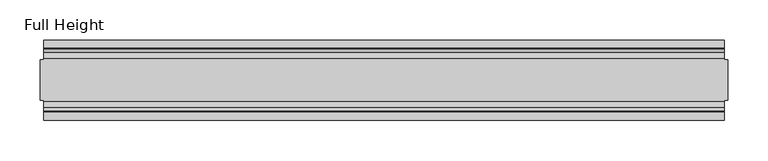
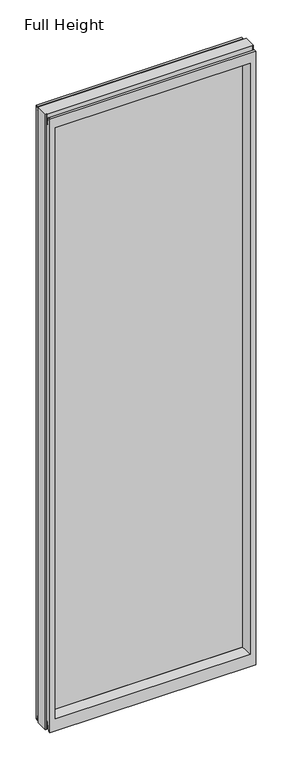
"""IFC4 building model written with IfcOpenShell, lengths in millimetres: plate geometry, Full Height."""

from ifc_helpers import new_model, si_unit, frame, origin, place, context, project, spatial, polyline, circle_curve, outline, extrude, source, transform, mapped, element, save
from ifc_brep_helpers import plane_surface, cylinder_surface, revolved_surface, advanced_brep


def full_height_f7715e2a(model_context):
    return source(origin(), model_context, "Body", "SolidModel", [
        advanced_brep(
        [(429.5521, 25.146, 2688.336), (429.5521, -25.146, 2688.336), (429.5521, -25.146, 0.0), (429.5521, 25.146, 0.0), (-429.5521, -25.146, 2688.336), (-429.5521, 25.146, 2688.336), (-429.5521, 25.146, 0.0), (-429.5521, -25.146, 0.0), (424.9801, 25.146, 2688.336), (424.9801, 26.67, 2688.336), (-424.9801, 26.67, 2688.336), (-424.9801, 25.146, 2688.336), (-424.9801, -25.146, 2688.336), (-424.9801, -26.67, 2688.336), (424.9801, -26.67, 2688.336), (424.9801, -25.146, 2688.336), (424.9801, -25.146, 0.0), (424.9801, -26.67, 0.0), (-424.9801, -26.67, 0.0), (-424.9801, -25.146, 0.0), (-424.9801, 25.146, 0.0), (-424.9801, 26.67, 0.0), (424.9801, 26.67, 0.0), (424.9801, 25.146, 0.0), (-424.9801, 40.7946686, 0.0), (-424.9801, 50.0, 0.0), (424.9801, 50.0, 0.0), (424.9801, 40.7946686, 0.0), (-424.9801, 26.67, 36.4542208), (424.9801, 26.67, 36.4542208), (-424.9801, 39.5246686, 1.27), (-424.9801, 39.5246686, 7.9074686), (-424.9801, 39.043018, 8.6755976), (-424.9801, 36.9464913, 11.6561909), (-424.9801, 34.2686707, 36.8568054), (-424.9801, 26.67, 2651.125), (-424.9801, 34.2321175, 2650.4634004), (-424.9801, 39.1867152, 2678.5623199), (-424.9801, 39.9371387, 2679.192), (-424.9801, 50.0, 2679.192), (-424.9801, -26.67, 36.4542208), (-424.9801, -34.2686707, 36.8568054), (-424.9801, -36.9464913, 11.6561909), (-424.9801, -39.043018, 8.6755976), (-424.9801, -39.5246686, 7.9074686), (-424.9801, -39.5246686, 1.27), (-424.9801, -40.7946686, 0.0), (-424.9801, -50.0, 0.0), (-424.9801, -50.0, 2679.192), (-424.9801, -39.9371387, 2679.192), (-424.9801, -39.1867152, 2678.5623199), (-424.9801, -34.2321175, 2650.4634004), (-424.9801, -26.67, 2651.125), (424.9801, -50.0, 0.0), (424.9801, -50.0, 2679.192), (-402.8821, -50.0, 2634.615), (402.8821, -50.0, 2634.615), (402.8821, -50.0, 52.8372208), (-402.8821, -50.0, 52.8372208), (424.9801, 50.0, 2679.192), (-402.8821, 50.0, 52.8372208), (402.8821, 50.0, 52.8372208), (402.8821, 50.0, 2634.615), (-402.8821, 50.0, 2634.615), (-396.9131, -6.1006519, 58.8062208), (-396.9131, -6.1006519, 2628.646), (-396.9131, 6.1006519, 2628.646), (-396.9131, 6.1006519, 58.8062208), (396.9131, 6.1006519, 58.8062208), (396.9131, 6.1006519, 2628.646), (396.9131, -6.1006519, 2628.646), (396.9131, -6.1006519, 58.8062208), (424.9801, -40.7946686, 0.0), (424.9801, -39.5246686, 1.27), (424.9801, -39.5246686, 7.9074686), (424.9801, -39.043018, 8.6755976), (424.9801, -36.9464913, 11.6561909), (424.9801, -34.2686707, 36.8568054), (424.9801, -26.67, 36.4542208), (424.9801, -26.67, 2651.125), (424.9801, -34.2321175, 2650.4634004), (424.9801, -39.1867152, 2678.5623199), (424.9801, -39.9371387, 2679.192), (424.9801, 39.9371387, 2679.192), (424.9801, 39.1867152, 2678.5623199), (424.9801, 34.2321175, 2650.4634004), (424.9801, 26.67, 2651.125), (424.9801, 34.2686707, 36.8568054), (424.9801, 36.9464913, 11.6561909), (424.9801, 39.043018, 8.6755976), (424.9801, 39.5246686, 7.9074686), (424.9801, 39.5246686, 1.27)],
        [
            (0, 1),
            (1, 2),
            (2, 3),
            (3, 0),
            (4, 5),
            (5, 6),
            (6, 7),
            (7, 4),
            (0, 8),
            (8, 9),
            (9, 10),
            (10, 11),
            (11, 5),
            (4, 12),
            (12, 13),
            (13, 14),
            (14, 15),
            (15, 1),
            (2, 16),
            (16, 17),
            (17, 18),
            (18, 19),
            (19, 7),
            (6, 20),
            (20, 21),
            (21, 22),
            (22, 23),
            (23, 3),
            (23, 8),
            (15, 16),
            (19, 12),
            (11, 20),
            (24, 25),
            (25, 26),
            (26, 27),
            (27, 24),
            (21, 28),
            (28, 29),
            (29, 22),
            (24, 30, circle_curve(frame((-424.9801, 40.7946686, 1.27), z_axis=(-1.0, 0.0, 0.0), x_axis=(0.0, -1.0, 0.0)), 1.27)),
            (30, 31),
            (31, 32, circle_curve(frame((-424.9801, 38.671343, 7.9074686), z_axis=(1.0, 0.0, 0.0), x_axis=(0.0, -1.0, 0.0)), 0.8533256)),
            (32, 33, circle_curve(frame((-424.9801, 40.6770502, 12.0526006), z_axis=(-1.0, 0.0, 0.0), x_axis=(0.0, -1.0, 0.0)), 3.751561)),
            (33, 34),
            (34, 28, circle_curve(frame((-424.9801, 30.48, 36.4542208), z_axis=(1.0, 0.0, 0.0), x_axis=(0.0, -1.0, 0.0)), 3.81)),
            (10, 35),
            (35, 36, circle_curve(frame((-424.9801, 30.48, 2651.125), z_axis=(1.0, 0.0, 0.0), x_axis=(0.0, -1.0, 0.0)), 3.81)),
            (36, 37),
            (37, 38, circle_curve(frame((-424.9801, 39.9371387, 2678.43), z_axis=(-1.0, 0.0, 0.0), x_axis=(0.0, -1.0, 0.0)), 0.762)),
            (38, 39),
            (39, 25),
            (18, 40),
            (40, 41, circle_curve(frame((-424.9801, -30.48, 36.4542208), z_axis=(1.0, 0.0, 0.0), x_axis=(0.0, -1.0, 0.0)), 3.81)),
            (41, 42),
            (42, 43, circle_curve(frame((-424.9801, -40.6770502, 12.0526006), z_axis=(-1.0, 0.0, 0.0), x_axis=(0.0, -1.0, 0.0)), 3.751561)),
            (43, 44, circle_curve(frame((-424.9801, -38.671343, 7.9074686), z_axis=(1.0, 0.0, 0.0), x_axis=(0.0, -1.0, 0.0)), 0.8533256)),
            (44, 45),
            (45, 46, circle_curve(frame((-424.9801, -40.7946686, 1.27), z_axis=(-1.0, 0.0, 0.0), x_axis=(0.0, -1.0, 0.0)), 1.27)),
            (46, 47),
            (47, 48),
            (48, 49),
            (49, 50, circle_curve(frame((-424.9801, -39.9371387, 2678.43), z_axis=(-1.0, 0.0, 0.0), x_axis=(0.0, -1.0, 0.0)), 0.762)),
            (50, 51),
            (51, 52, circle_curve(frame((-424.9801, -30.48, 2651.125), z_axis=(1.0, 0.0, 0.0), x_axis=(0.0, -1.0, 0.0)), 3.81)),
            (52, 13),
            (47, 53),
            (53, 54),
            (54, 48),
            (55, 56),
            (56, 57),
            (57, 58),
            (58, 55),
            (39, 59),
            (59, 26),
            (60, 61),
            (61, 62),
            (62, 63),
            (63, 60),
            (58, 64),
            (64, 65),
            (65, 55),
            (63, 66),
            (66, 67),
            (67, 60),
            (61, 68),
            (68, 69),
            (69, 62),
            (70, 71),
            (71, 57),
            (56, 70),
            (53, 72),
            (72, 73, circle_curve(frame((424.9801, -40.7946686, 1.27), z_axis=(1.0, 0.0, 0.0), x_axis=(0.0, -1.0, 0.0)), 1.27)),
            (73, 74),
            (74, 75, circle_curve(frame((424.9801, -38.671343, 7.9074686), z_axis=(-1.0, 0.0, 0.0), x_axis=(0.0, -1.0, 0.0)), 0.8533256)),
            (75, 76, circle_curve(frame((424.9801, -40.6770502, 12.0526006), z_axis=(1.0, 0.0, 0.0), x_axis=(0.0, -1.0, 0.0)), 3.751561)),
            (76, 77),
            (77, 78, circle_curve(frame((424.9801, -30.48, 36.4542208), z_axis=(-1.0, 0.0, 0.0), x_axis=(0.0, -1.0, 0.0)), 3.81)),
            (78, 17),
            (14, 79),
            (79, 80, circle_curve(frame((424.9801, -30.48, 2651.125), z_axis=(-1.0, 0.0, 0.0), x_axis=(0.0, -1.0, 0.0)), 3.81)),
            (80, 81),
            (81, 82, circle_curve(frame((424.9801, -39.9371387, 2678.43), z_axis=(1.0, 0.0, 0.0), x_axis=(0.0, -1.0, 0.0)), 0.762)),
            (82, 54),
            (59, 83),
            (83, 84, circle_curve(frame((424.9801, 39.9371387, 2678.43), z_axis=(1.0, 0.0, 0.0), x_axis=(0.0, -1.0, 0.0)), 0.762)),
            (84, 85),
            (85, 86, circle_curve(frame((424.9801, 30.48, 2651.125), z_axis=(-1.0, 0.0, 0.0), x_axis=(0.0, -1.0, 0.0)), 3.81)),
            (86, 9),
            (29, 87, circle_curve(frame((424.9801, 30.48, 36.4542208), z_axis=(-1.0, 0.0, 0.0), x_axis=(0.0, -1.0, 0.0)), 3.81)),
            (87, 88),
            (88, 89, circle_curve(frame((424.9801, 40.6770502, 12.0526006), z_axis=(1.0, 0.0, 0.0), x_axis=(0.0, -1.0, 0.0)), 3.751561)),
            (89, 90, circle_curve(frame((424.9801, 38.671343, 7.9074686), z_axis=(-1.0, 0.0, 0.0), x_axis=(0.0, -1.0, 0.0)), 0.8533256)),
            (90, 91),
            (91, 27, circle_curve(frame((424.9801, 40.7946686, 1.27), z_axis=(1.0, 0.0, 0.0), x_axis=(0.0, -1.0, 0.0)), 1.27)),
            (91, 30),
            (90, 31),
            (89, 32),
            (88, 33),
            (87, 34),
            (78, 40),
            (41, 77),
            (76, 42),
            (75, 43),
            (74, 44),
            (73, 45),
            (72, 46),
            (71, 64),
            (67, 68),
            (86, 35),
            (85, 36),
            (84, 37),
            (83, 38),
            (69, 66),
            (65, 70),
            (82, 49),
            (81, 50),
            (80, 51),
            (79, 52),
            (65, 66),
            (69, 70),
            (71, 68),
            (67, 64),
        ],
        [
            plane_surface(frame((429.5521, -25.146, 2688.336), z_axis=(1.0, 0.0, 0.0), x_axis=(0.0, 0.0, -1.0))),
            plane_surface(frame((-429.5521, 25.146, 2688.336), z_axis=(-1.0, 0.0, 0.0), x_axis=(0.0, 0.0, -1.0))),
            plane_surface(frame((424.9801, 25.146, 2688.336), z_axis=(0.0, 0.0, 1.0), x_axis=(-1.0, 0.0, 0.0))),
            plane_surface(frame((424.9801, 25.146, 0.0), z_axis=(0.0, 0.0, -1.0), x_axis=(1.0, 0.0, 0.0))),
            plane_surface(frame((429.5521, 25.146, 2688.336), z_axis=(0.0, 1.0, 0.0), x_axis=(0.0, 0.0, -1.0))),
            plane_surface(frame((424.9801, -25.146, 2688.336), z_axis=(0.0, -1.0, 0.0), x_axis=(0.0, 0.0, -1.0))),
            plane_surface(frame((-429.5521, -25.146, 2688.336), z_axis=(0.0, -1.0, 0.0), x_axis=(0.0, 0.0, -1.0))),
            plane_surface(frame((-424.9801, 25.146, 2688.336), z_axis=(0.0, 1.0, 0.0), x_axis=(0.0, 0.0, -1.0))),
            plane_surface(frame((-424.9801, 50.0, 0.0), z_axis=(0.0, 0.0, -1.0), x_axis=(1.0, 0.0, 0.0))),
            plane_surface(frame((-424.9801, 26.67, 36.4542208), z_axis=(0.0, 1.0, 0.0), x_axis=(1.0, 0.0, 0.0))),
            plane_surface(frame((-424.9801, 50.0, 2646.4006), z_axis=(-1.0, 0.0, 0.0), x_axis=(0.0, 0.0, -1.0))),
            plane_surface(frame((-424.9801, -50.0, 2646.4006), z_axis=(0.0, -1.0, 0.0), x_axis=(0.0, 0.0, -1.0))),
            plane_surface(frame((-402.8821, 50.0, 2646.4006), z_axis=(0.0, 1.0, 0.0), x_axis=(0.0, 0.0, -1.0))),
            plane_surface(frame((-402.8821, -50.0, 2646.4006), z_axis=(0.9908822943533606, -0.13473039277393942, 0.0), x_axis=(0.0, 0.0, -1.0))),
            plane_surface(frame((-396.9131, 6.1006519, 2646.4006), z_axis=(0.9908822943533612, 0.13473039277393595, 0.0), x_axis=(0.0, 0.0, -1.0))),
            plane_surface(frame((402.8821, 50.0, 2646.4006), z_axis=(-0.9908822943533605, 0.1347303927739403, 0.0), x_axis=(0.0, 0.0, -1.0))),
            plane_surface(frame((396.9131, -6.1006519, 2646.4006), z_axis=(-0.9908822943533563, -0.13473039277397156, 0.0), x_axis=(0.0, 0.0, -1.0))),
            plane_surface(frame((424.9801, -50.0, 2646.4006), z_axis=(1.0, 0.0, 0.0), x_axis=(0.0, 0.0, -1.0))),
            cylinder_surface(frame((424.9801, 40.7946686, 1.27), z_axis=(-1.0, 0.0, 0.0), x_axis=(0.0, -1.0, 0.0)), 1.27),
            plane_surface(frame((-424.9801, 39.5246686, 1.27), z_axis=(0.0, -1.0, 0.0), x_axis=(1.0, 0.0, 0.0))),
            revolved_surface(polyline([(424.9801, 37.8180174, 7.9074686), (-424.9801, 37.8180174, 7.9074686)]), (424.9801, 38.671343, 7.9074686), (1.0, 0.0, 0.0)),
            cylinder_surface(frame((424.9801, 40.6770502, 12.0526006), z_axis=(-1.0, 0.0, 0.0), x_axis=(0.0, -1.0, 0.0)), 3.751561),
            plane_surface(frame((-424.9801, 36.9464913, 11.6561909), z_axis=(0.0, -0.9944017560866673, -0.10566526151840337), x_axis=(1.0, 0.0, 0.0))),
            plane_surface(frame((-424.9801, -26.67, 0.0), z_axis=(0.0, -1.0, 0.0), x_axis=(1.0, 0.0, 0.0))),
            plane_surface(frame((-424.9801, -34.2686707, 36.8568054), z_axis=(0.0, 0.9944017560866222, -0.10566526151882621), x_axis=(1.0, 0.0, 0.0))),
            cylinder_surface(frame((424.9801, -40.6770502, 12.0526006), z_axis=(-1.0, 0.0, 0.0), x_axis=(0.0, -1.0, 0.0)), 3.751561),
            revolved_surface(polyline([(424.9801, -39.5246686, 7.9074686), (-424.9801, -39.5246686, 7.9074686)]), (424.9801, -38.671343, 7.9074686), (1.0, 0.0, 0.0)),
            plane_surface(frame((-424.9801, -39.5246686, 7.9074686), z_axis=(0.0, 1.0, 0.0), x_axis=(1.0, 0.0, 0.0))),
            cylinder_surface(frame((424.9801, -40.7946686, 1.27), z_axis=(-1.0, 0.0, 0.0), x_axis=(0.0, -1.0, 0.0)), 1.27),
            plane_surface(frame((-424.9801, -40.7946686, 0.0), z_axis=(0.0, 0.0, -1.0), x_axis=(1.0, 0.0, 0.0))),
            plane_surface(frame((-424.9801, -50.0, 52.8372208), z_axis=(0.0, -0.13473039277394736, 0.9908822943533596), x_axis=(1.0, 0.0, 0.0))),
            plane_surface(frame((-424.9801, 6.1006519, 58.8062208), z_axis=(0.0, 0.13473039277399934, 0.9908822943533526), x_axis=(1.0, 0.0, 0.0))),
            revolved_surface(polyline([(424.9801, 26.67, 36.4542208), (-424.9801, 26.67, 36.4542208)]), (424.9801, 30.48, 36.4542208), (1.0, 0.0, 0.0)),
            revolved_surface(polyline([(424.9801, -34.29, 36.4542208), (-424.9801, -34.29, 36.4542208)]), (424.9801, -30.48, 36.4542208), (1.0, 0.0, 0.0)),
            plane_surface(frame((-424.9801, 26.67, 2688.336), z_axis=(0.0, 1.0, 0.0), x_axis=(1.0, 0.0, 0.0))),
            revolved_surface(polyline([(424.9801, 26.67, 2651.125), (-424.9801, 26.67, 2651.125)]), (-429.5521, 30.48, 2651.125), (1.0, 0.0, 0.0)),
            plane_surface(frame((-424.9801, 34.2321175, 2650.4634004), z_axis=(0.0, -0.9848077530113105, 0.1736481776720208), x_axis=(1.0, 0.0, 0.0))),
            cylinder_surface(frame((-429.5521, 39.9371387, 2678.43), z_axis=(-1.0, 0.0, 0.0), x_axis=(0.0, -1.0, 0.0)), 0.762),
            plane_surface(frame((-424.9801, 39.9371387, 2679.192), z_axis=(0.0, 0.0, 1.0), x_axis=(1.0, 0.0, 0.0))),
            plane_surface(frame((-424.9801, 50.0, 2634.615), z_axis=(0.0, 0.1347303927734498, -0.9908822943534272), x_axis=(1.0, 0.0, 0.0))),
            plane_surface(frame((-424.9801, -6.1006519, 2628.646), z_axis=(0.0, -0.1347303927724766, -0.9908822943535597), x_axis=(1.0, 0.0, 0.0))),
            plane_surface(frame((-424.9801, -50.0, 2679.192), z_axis=(0.0, 0.0, 1.0), x_axis=(1.0, 0.0, 0.0))),
            cylinder_surface(frame((-429.5521, -39.9371387, 2678.43), z_axis=(-1.0, 0.0, 0.0), x_axis=(0.0, -1.0, 0.0)), 0.762),
            plane_surface(frame((-424.9801, -39.1867152, 2678.5623199), z_axis=(0.0, 0.9848077530103839, 0.17364817767727592), x_axis=(1.0, 0.0, 0.0))),
            revolved_surface(polyline([(424.9801, -34.29, 2651.125), (-424.9801, -34.29, 2651.125)]), (-429.5521, -30.48, 2651.125), (1.0, 0.0, 0.0)),
            plane_surface(frame((-424.9801, -26.67, 2651.125), z_axis=(0.0, -1.0, 0.0), x_axis=(1.0, 0.0, 0.0))),
            plane_surface(frame((-424.9801, 6.1006519, 2628.646), z_axis=(0.0, 0.0, -1.0), x_axis=(1.0, 0.0, 0.0))),
            plane_surface(frame((-424.9801, -6.1006519, 58.8062208), z_axis=(0.0, 0.0, 1.0), x_axis=(1.0, 0.0, 0.0))),
            plane_surface(frame((-396.9131, -6.1006519, 2646.4006), z_axis=(1.0, 0.0, 0.0), x_axis=(0.0, 0.0, -1.0))),
            plane_surface(frame((396.9131, 6.1006519, 2646.4006), z_axis=(-1.0, 0.0, 0.0), x_axis=(0.0, 0.0, -1.0))),
        ],
        [
            (0, [[1, 2, 3, 4]]),
            (1, [[5, 6, 7, 8]]),
            (2, [[9, 10, 11, 12, 13, -5, 14, 15, 16, 17, 18, -1]]),
            (3, [[-3, 19, 20, 21, 22, 23, -7, 24, 25, 26, 27, 28]]),
            (4, [[29, -9, -4, -28]]),
            (5, [[-18, 30, -19, -2]]),
            (6, [[31, -14, -8, -23]]),
            (7, [[-13, 32, -24, -6]]),
            (8, [[33, 34, 35, 36]]),
            (9, [[37, 38, 39, -26]]),
            (10, [[-33, 40, 41, 42, 43, 44, 45, -37, -25, -32, -12, 46, 47, 48, 49, 50, 51]]),
            (10, [[-22, 52, 53, 54, 55, 56, 57, 58, 59, 60, 61, 62, 63, 64, 65, -15, -31]]),
            (11, [[-60, 66, 67, 68], [69, 70, 71, 72]]),
            (12, [[-51, 73, 74, -34], [75, 76, 77, 78]]),
            (13, [[-72, 79, 80, 81]]),
            (14, [[-78, 82, 83, 84]]),
            (15, [[-76, 85, 86, 87]]),
            (16, [[88, 89, -70, 90]]),
            (17, [[-67, 91, 92, 93, 94, 95, 96, 97, 98, -20, -30, -17, 99, 100, 101, 102, 103]]),
            (17, [[-74, 104, 105, 106, 107, 108, -10, -29, -27, -39, 109, 110, 111, 112, 113, 114, -35]]),
            (18, [[-40, -36, -114, 115]]),
            (19, [[-41, -115, -113, 116]]),
            (20, [[-42, -116, -112, 117]]),
            (21, [[-43, -117, -111, 118]]),
            (22, [[-44, -118, -110, 119]]),
            (23, [[-52, -21, -98, 120]]),
            (24, [[-54, 121, -96, 122]]),
            (25, [[-55, -122, -95, 123]]),
            (26, [[-56, -123, -94, 124]]),
            (27, [[-57, -124, -93, 125]]),
            (28, [[-58, -125, -92, 126]]),
            (29, [[-59, -126, -91, -66]]),
            (30, [[-71, -89, 127, -79]]),
            (31, [[-75, -84, 128, -85]]),
            (32, [[-45, -119, -109, -38]]),
            (33, [[-53, -120, -97, -121]]),
            (34, [[-46, -11, -108, 129]]),
            (35, [[-47, -129, -107, 130]]),
            (36, [[-48, -130, -106, 131]]),
            (37, [[-49, -131, -105, 132]]),
            (38, [[-50, -132, -104, -73]]),
            (39, [[-77, -87, 133, -82]]),
            (40, [[-69, -81, 134, -90]]),
            (41, [[-61, -68, -103, 135]]),
            (42, [[-62, -135, -102, 136]]),
            (43, [[-63, -136, -101, 137]]),
            (44, [[-64, -137, -100, 138]]),
            (45, [[-65, -138, -99, -16]]),
            (46, [[-134, 139, -133, 140]]),
            (47, [[-127, 141, -128, 142]]),
            (48, [[-83, -139, -80, -142]]),
            (49, [[-88, -140, -86, -141]]),
        ],
    ),
        extrude(outline(polyline([(-396.9131, 4.826), (396.9131, 4.826), (396.9131, -4.826), (-396.9131, -4.826), (-396.9131, 4.826)])), frame((0.0, 0.0, 58.8062208), z_axis=(0.0, 0.0, 1.0), x_axis=(1.0, 0.0, 0.0)), (0.0, 0.0, 1.0), 2569.8397792),
    ])


if __name__ == "__main__":
    model = new_model("IFC4")
    model_context = context("Model", 3, world=origin())
    ifc_project = project(units=[si_unit("LENGTHUNIT", "METRE", prefix="MILLI")], contexts=[model_context])
    site = spatial("IfcSite", under=ifc_project)
    building = spatial("IfcBuilding", under=site)
    placement = place(None, origin())
    full_height_shape = full_height_f7715e2a(model_context)
    element("IfcPlate", 1, ObjectType="Full Height", at=placement, inside=building, context=model_context, shape_type="MappedRepresentation", body=[
        mapped(full_height_shape, transform((0.0, 0.0, 0.0), x_axis=(1.0, 0.0, 0.0), y_axis=(0.0, 1.0, 0.0), z_axis=(0.0, 0.0, 1.0))),
    ])
    save(model, "model.ifc")
